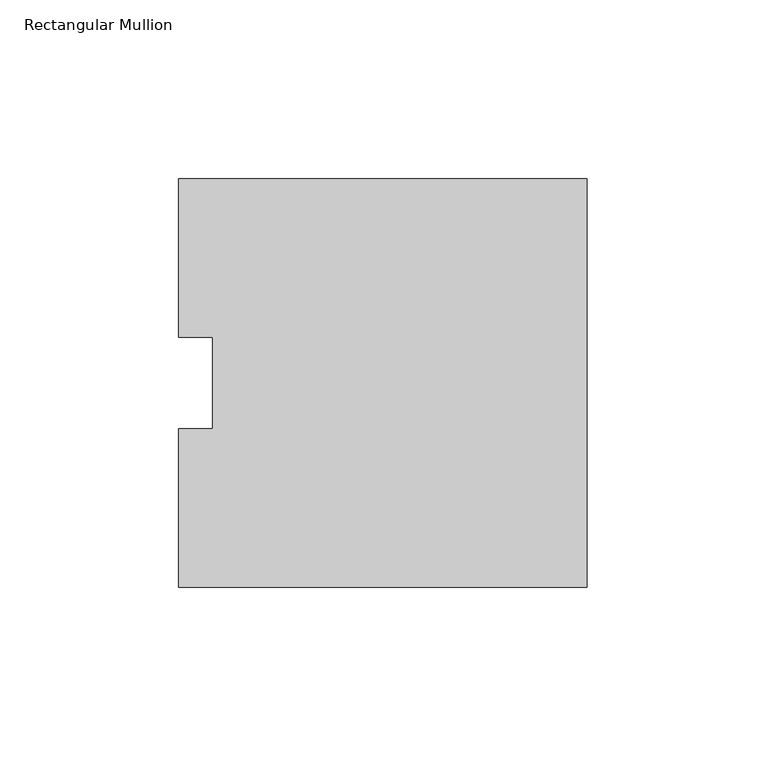
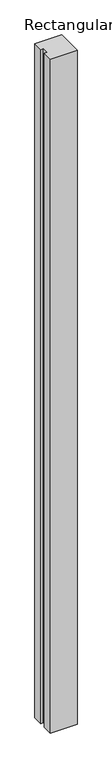
"""IFC4 building model written with IfcOpenShell, lengths in millimetres: member geometry, Rectangular Mullion."""

import ifcopenshell
import ifcopenshell.guid

model = None  # the IFC model being written
_history = None  # IfcOwnerHistory: only IFC2X3 demands one
_inside = {}  # id of a spatial element -> (the spatial element, [elements in it])
_under = {}  # id of a project, library or spatial element -> (it, [spatial elements below it])
_declared = {}  # id of a project -> (the project, [libraries it declares])
_typed = {}  # id of a type object -> (the type object, [elements of that type])
_made_of = {}  # id of a material, layer set ... -> (it, [elements and type objects made of it])


def new_model(schema):
    """Start an empty IFC model of exactly this schema.

    Asked for "IFC4X3", IfcOpenShell would pick the latest addendum, in which some entities
    have other attributes; the version numbers below select the first issue.
    IFC2X3 requires an IfcOwnerHistory on every rooted entity: one is made here for all.
    """
    global model, _history
    if schema == "IFC4X3":
        model = ifcopenshell.file(schema_version=(4, 3, 0, 0))
    else:
        model = ifcopenshell.file(schema=schema)
    _inside.clear()
    _under.clear()
    _declared.clear()
    _typed.clear()
    _made_of.clear()
    _history = None
    if model.schema == "IFC2X3":
        org = make("IfcOrganization", Name="unknown")
        user = make(
            "IfcPersonAndOrganization",
            ThePerson=make("IfcPerson", FamilyName="unknown"),
            TheOrganization=org,
        )
        app = make(
            "IfcApplication",
            ApplicationDeveloper=org,
            Version="unknown",
            ApplicationFullName="unknown",
            ApplicationIdentifier="unknown",
        )
        _history = make(
            "IfcOwnerHistory",
            OwningUser=user,
            OwningApplication=app,
            ChangeAction="ADDED",
            CreationDate=0,
        )
    return model


def make(cls, **values):
    """One entity of the class cls with the attributes given. An attribute that is None is left unset."""
    return model.create_entity(
        cls, **{name: value for name, value in values.items() if value is not None}
    )


def rooted(cls, **values):
    """An entity with a GlobalId (a new one), such as an element, a storey or a relation."""
    return make(cls, GlobalId=ifcopenshell.guid.new(), OwnerHistory=_history, **values)


def si_unit(unit_type, name, prefix=None):
    """IfcSIUnit, for example si_unit("LENGTHUNIT", "METRE", prefix="MILLI")."""
    return make("IfcSIUnit", UnitType=unit_type, Prefix=prefix, Name=name)


def assignment(units):
    """IfcUnitAssignment: the units of a project."""
    return None if units is None else make("IfcUnitAssignment", Units=units)


def point(xyz):
    """IfcCartesianPoint."""
    return None if xyz is None else make("IfcCartesianPoint", Coordinates=xyz)


def direction(xyz):
    """IfcDirection."""
    return None if xyz is None else make("IfcDirection", DirectionRatios=xyz)


def frame(location, z_axis=None, x_axis=None):
    """IfcAxis2Placement3D, a coordinate frame: its origin and axes. An axis left out is left unset."""
    return make(
        "IfcAxis2Placement3D",
        Location=point(location),
        Axis=direction(z_axis),
        RefDirection=direction(x_axis),
    )


def origin():
    """The frame at (0, 0, 0) with its axes left unset."""
    return frame((0.0, 0.0, 0.0))


def place(relative_to, where):
    """IfcLocalPlacement: puts the frame where relative to a parent placement (None: the world)."""
    return make(
        "IfcLocalPlacement", PlacementRelTo=relative_to, RelativePlacement=where
    )


def context(
    kind, dimensions, precision=None, world=None, true_north=None, identifier=None
):
    """IfcGeometricRepresentationContext, for example the 3D "Model" context."""
    return make(
        "IfcGeometricRepresentationContext",
        ContextIdentifier=identifier,
        ContextType=kind,
        CoordinateSpaceDimension=dimensions,
        Precision=precision,
        WorldCoordinateSystem=world,
        TrueNorth=true_north,
    )


def project(units=None, contexts=None):
    """IfcProject with its units and contexts."""
    return rooted(
        "IfcProject",
        Name="project",
        RepresentationContexts=contexts,
        UnitsInContext=assignment(units),
    )


def spatial(cls, under=None, at=None, **own):
    """A site, building, storey or space (cls), placed at a placement, below another one or the project."""
    s = rooted(cls, ObjectPlacement=at, **own)
    if under is not None:
        _under.setdefault(under.id(), (under, []))[1].append(s)
    return s


def polyline(points):
    """IfcPolyline through the points."""
    return make("IfcPolyline", Points=[point(p) for p in points])


def outline(outer, holes=None, kind="AREA"):
    """IfcArbitraryClosedProfileDef: a profile drawn as a closed curve; with holes, ...WithVoids."""
    if holes is None:
        return make("IfcArbitraryClosedProfileDef", ProfileType=kind, OuterCurve=outer)
    return make(
        "IfcArbitraryProfileDefWithVoids",
        ProfileType=kind,
        OuterCurve=outer,
        InnerCurves=holes,
    )


def extrude(swept, where, along, depth):
    """IfcExtrudedAreaSolid: the profile swept, set in the frame where, extruded along a direction by depth."""
    return make(
        "IfcExtrudedAreaSolid",
        SweptArea=swept,
        Position=where,
        ExtrudedDirection=direction(along),
        Depth=depth,
    )


def shape(context_of_items, identifier, shape_type, items):
    """IfcShapeRepresentation: the items that make up one representation, for example the "Body"."""
    return make(
        "IfcShapeRepresentation",
        ContextOfItems=context_of_items,
        RepresentationIdentifier=identifier,
        RepresentationType=shape_type,
        Items=items,
    )


def source(mapping_origin, context_of_items, identifier, shape_type, items):
    """IfcRepresentationMap: a shape defined once, which mapped items show again and again."""
    return make(
        "IfcRepresentationMap",
        MappingOrigin=mapping_origin,
        MappedRepresentation=shape(context_of_items, identifier, shape_type, items),
    )


def transform(
    local_origin,
    x_axis=None,
    y_axis=None,
    z_axis=None,
    scale=None,
    scale2=None,
    scale3=None,
    uniform=True,
):
    """IfcCartesianTransformationOperator3D, or its non-uniform kind. x_axis, y_axis, z_axis: its Axis1, 2, 3."""
    if uniform:
        return make(
            "IfcCartesianTransformationOperator3D",
            Axis1=direction(x_axis),
            Axis2=direction(y_axis),
            LocalOrigin=point(local_origin),
            Scale=scale,
            Axis3=direction(z_axis),
        )
    return make(
        "IfcCartesianTransformationOperator3DnonUniform",
        Axis1=direction(x_axis),
        Axis2=direction(y_axis),
        LocalOrigin=point(local_origin),
        Scale=scale,
        Axis3=direction(z_axis),
        Scale2=scale2,
        Scale3=scale3,
    )


def mapped(mapping_source, mapping_target):
    """IfcMappedItem: shows the shape of a source again, moved by a transform."""
    return make(
        "IfcMappedItem", MappingSource=mapping_source, MappingTarget=mapping_target
    )


def made_of(thing, what):
    """Note that an element or type object is made of a material, layer set ...; save() writes the relation."""
    if what is not None:
        _made_of.setdefault(what.id(), (what, []))[1].append(thing)
    return thing


def element(
    cls,
    number,
    at=None,
    inside=None,
    cuts=None,
    type_object=None,
    material=None,
    context=None,
    identifier="Body",
    shape_type=None,
    held_by="IfcProductDefinitionShape",
    body=None,
    shapes=None,
    **own,
):
    """One element of the class cls, such as IfcWall. Its Tag is "e" and its number.

    at: its placement. inside: the storey or other place that contains it. cuts: it is an
    opening in that element (IfcRelVoidsElement). A single representation is given by context,
    identifier, shape_type and body (its items); several are given by shapes. held_by: the class
    of the entity that holds the representations. save() writes the other relations.
    """
    e = rooted(cls, Tag="e%d" % number, ObjectPlacement=at, **own)
    if body is not None:
        shapes = [shape(context, identifier, shape_type, body)]
    if shapes is not None:
        e.Representation = make(held_by, Representations=shapes)
    if inside is not None:
        _inside.setdefault(inside.id(), (inside, []))[1].append(e)
    if cuts is not None:
        rooted(
            "IfcRelVoidsElement", RelatingBuildingElement=cuts, RelatedOpeningElement=e
        )
    if type_object is not None:
        _typed.setdefault(type_object.id(), (type_object, []))[1].append(e)
    return made_of(e, material)


def aggregate(whole, parts):
    """IfcRelAggregates: a whole, such as a stair, and the parts it consists of."""
    return rooted("IfcRelAggregates", RelatingObject=whole, RelatedObjects=parts)


def save(model, path):
    """Write the relations noted so far, then the file.

    IfcRelAggregates (storeys below a building ...), IfcRelContainedInSpatialStructure (elements
    in a storey), IfcRelDefinesByType, IfcRelAssociatesMaterial and IfcRelDeclares: one each for
    every whole, place, type object, material and project.
    """
    for whole, parts in _under.values():
        aggregate(whole, parts)
    for where, things in _inside.values():
        rooted(
            "IfcRelContainedInSpatialStructure",
            RelatedElements=things,
            RelatingStructure=where,
        )
    for kind, things in _typed.values():
        rooted("IfcRelDefinesByType", RelatedObjects=things, RelatingType=kind)
    for what, things in _made_of.values():
        rooted("IfcRelAssociatesMaterial", RelatedObjects=things, RelatingMaterial=what)
    for by, libraries in _declared.values():
        rooted("IfcRelDeclares", RelatingContext=by, RelatedDefinitions=libraries)
    model.write(path)


def rectangular_mullion_82cdfc55(model_context):
    return source(origin(), model_context, "Body", "SweptSolid", [
        extrude(outline(polyline([(0.0, -44.732527), (-114.3, -44.732527), (-114.3, -0.3263762), (-104.775, -0.3263762), (-104.775, 25.1613222), (-114.3, 25.1613222), (-114.3, 69.567473), (0.0, 69.567473), (0.0, -44.732527)])), frame((0.0, 0.0, -3048.0), z_axis=(0.0, 0.0, 1.0), x_axis=(1.0, 0.0, 0.0)), (0.0, 0.0, 1.0), 3048.0),
    ])


if __name__ == "__main__":
    model = new_model("IFC4")
    model_context = context("Model", 3, world=origin())
    ifc_project = project(units=[si_unit("LENGTHUNIT", "METRE", prefix="MILLI")], contexts=[model_context])
    site = spatial("IfcSite", under=ifc_project)
    building = spatial("IfcBuilding", under=site)
    placement = place(None, origin())
    rectangular_mullion_shape = rectangular_mullion_82cdfc55(model_context)
    element("IfcMember", 1, ObjectType="Rectangular Mullion", at=placement, inside=building, context=model_context, shape_type="MappedRepresentation", body=[
        mapped(rectangular_mullion_shape, transform((0.0, 0.0, 0.0), x_axis=(1.0, 0.0, 0.0), y_axis=(0.0, 1.0, 0.0), z_axis=(0.0, 0.0, 1.0))),
    ])
    save(model, "model.ifc")
